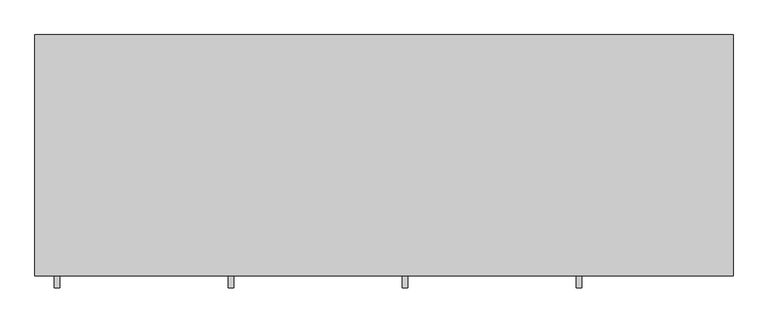
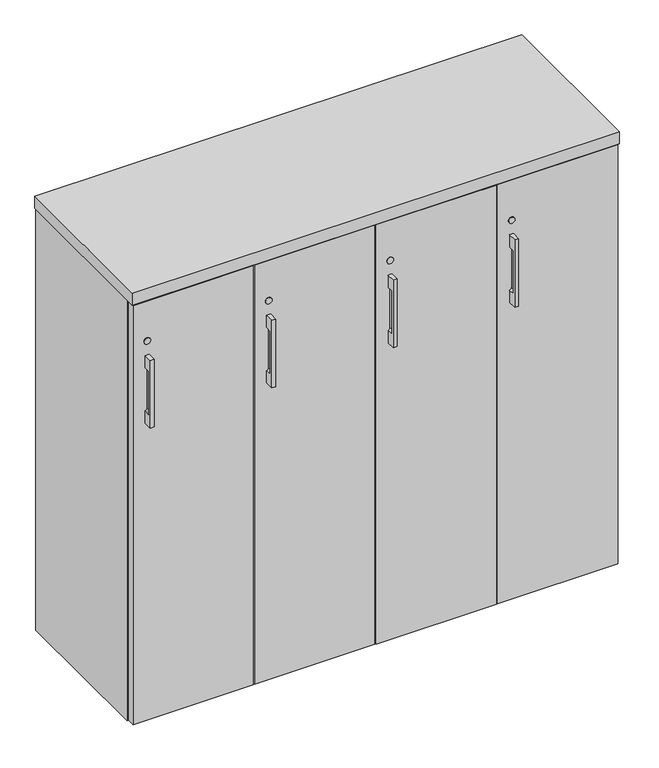
"""IFC4 building model written with IfcOpenShell, lengths in millimetres: furniture geometry."""

import ifcopenshell
import ifcopenshell.guid

model = None  # the IFC model being written
_history = None  # IfcOwnerHistory: only IFC2X3 demands one
_inside = {}  # id of a spatial element -> (the spatial element, [elements in it])
_under = {}  # id of a project, library or spatial element -> (it, [spatial elements below it])
_declared = {}  # id of a project -> (the project, [libraries it declares])
_typed = {}  # id of a type object -> (the type object, [elements of that type])
_made_of = {}  # id of a material, layer set ... -> (it, [elements and type objects made of it])


def new_model(schema):
    """Start an empty IFC model of exactly this schema.

    Asked for "IFC4X3", IfcOpenShell would pick the latest addendum, in which some entities
    have other attributes; the version numbers below select the first issue.
    IFC2X3 requires an IfcOwnerHistory on every rooted entity: one is made here for all.
    """
    global model, _history
    if schema == "IFC4X3":
        model = ifcopenshell.file(schema_version=(4, 3, 0, 0))
    else:
        model = ifcopenshell.file(schema=schema)
    _inside.clear()
    _under.clear()
    _declared.clear()
    _typed.clear()
    _made_of.clear()
    _history = None
    if model.schema == "IFC2X3":
        org = make("IfcOrganization", Name="unknown")
        user = make(
            "IfcPersonAndOrganization",
            ThePerson=make("IfcPerson", FamilyName="unknown"),
            TheOrganization=org,
        )
        app = make(
            "IfcApplication",
            ApplicationDeveloper=org,
            Version="unknown",
            ApplicationFullName="unknown",
            ApplicationIdentifier="unknown",
        )
        _history = make(
            "IfcOwnerHistory",
            OwningUser=user,
            OwningApplication=app,
            ChangeAction="ADDED",
            CreationDate=0,
        )
    return model


def make(cls, **values):
    """One entity of the class cls with the attributes given. An attribute that is None is left unset."""
    return model.create_entity(
        cls, **{name: value for name, value in values.items() if value is not None}
    )


def rooted(cls, **values):
    """An entity with a GlobalId (a new one), such as an element, a storey or a relation."""
    return make(cls, GlobalId=ifcopenshell.guid.new(), OwnerHistory=_history, **values)


def si_unit(unit_type, name, prefix=None):
    """IfcSIUnit, for example si_unit("LENGTHUNIT", "METRE", prefix="MILLI")."""
    return make("IfcSIUnit", UnitType=unit_type, Prefix=prefix, Name=name)


def assignment(units):
    """IfcUnitAssignment: the units of a project."""
    return None if units is None else make("IfcUnitAssignment", Units=units)


def point(xyz):
    """IfcCartesianPoint."""
    return None if xyz is None else make("IfcCartesianPoint", Coordinates=xyz)


def direction(xyz):
    """IfcDirection."""
    return None if xyz is None else make("IfcDirection", DirectionRatios=xyz)


def frame(location, z_axis=None, x_axis=None):
    """IfcAxis2Placement3D, a coordinate frame: its origin and axes. An axis left out is left unset."""
    return make(
        "IfcAxis2Placement3D",
        Location=point(location),
        Axis=direction(z_axis),
        RefDirection=direction(x_axis),
    )


def frame_2d(location, x_axis=None):
    """IfcAxis2Placement2D, a coordinate frame in the plane: its origin and x axis."""
    return make(
        "IfcAxis2Placement2D", Location=point(location), RefDirection=direction(x_axis)
    )


def origin():
    """The frame at (0, 0, 0) with its axes left unset."""
    return frame((0.0, 0.0, 0.0))


def origin_with_axes():
    """The frame at (0, 0, 0) with the z axis (0, 0, 1) and the x axis (1, 0, 0) written out."""
    return frame((0.0, 0.0, 0.0), z_axis=(0.0, 0.0, 1.0), x_axis=(1.0, 0.0, 0.0))


def place(relative_to, where):
    """IfcLocalPlacement: puts the frame where relative to a parent placement (None: the world)."""
    return make(
        "IfcLocalPlacement", PlacementRelTo=relative_to, RelativePlacement=where
    )


def context(
    kind, dimensions, precision=None, world=None, true_north=None, identifier=None
):
    """IfcGeometricRepresentationContext, for example the 3D "Model" context."""
    return make(
        "IfcGeometricRepresentationContext",
        ContextIdentifier=identifier,
        ContextType=kind,
        CoordinateSpaceDimension=dimensions,
        Precision=precision,
        WorldCoordinateSystem=world,
        TrueNorth=true_north,
    )


def project(units=None, contexts=None):
    """IfcProject with its units and contexts."""
    return rooted(
        "IfcProject",
        Name="project",
        RepresentationContexts=contexts,
        UnitsInContext=assignment(units),
    )


def spatial(cls, under=None, at=None, **own):
    """A site, building, storey or space (cls), placed at a placement, below another one or the project."""
    s = rooted(cls, ObjectPlacement=at, **own)
    if under is not None:
        _under.setdefault(under.id(), (under, []))[1].append(s)
    return s


def polyline(points):
    """IfcPolyline through the points."""
    return make("IfcPolyline", Points=[point(p) for p in points])


def circle_curve(where, radius):
    """IfcCircle in the frame where."""
    return make("IfcCircle", Position=where, Radius=radius)


def trimmed(basis, trim1, trim2, sense, master):
    """IfcTrimmedCurve: the piece of a basis curve between two trims."""
    return make(
        "IfcTrimmedCurve",
        BasisCurve=basis,
        Trim1=trim1,
        Trim2=trim2,
        SenseAgreement=sense,
        MasterRepresentation=master,
    )


def segment(curve, same_sense, transition):
    """IfcCompositeCurveSegment."""
    return make(
        "IfcCompositeCurveSegment",
        Transition=transition,
        SameSense=same_sense,
        ParentCurve=curve,
    )


def composite_curve(segments, self_intersect=None):
    """IfcCompositeCurve: segments joined end to end."""
    return make("IfcCompositeCurve", Segments=segments, SelfIntersect=self_intersect)


def outline(outer, holes=None, kind="AREA"):
    """IfcArbitraryClosedProfileDef: a profile drawn as a closed curve; with holes, ...WithVoids."""
    if holes is None:
        return make("IfcArbitraryClosedProfileDef", ProfileType=kind, OuterCurve=outer)
    return make(
        "IfcArbitraryProfileDefWithVoids",
        ProfileType=kind,
        OuterCurve=outer,
        InnerCurves=holes,
    )


def extrude(swept, where, along, depth):
    """IfcExtrudedAreaSolid: the profile swept, set in the frame where, extruded along a direction by depth."""
    return make(
        "IfcExtrudedAreaSolid",
        SweptArea=swept,
        Position=where,
        ExtrudedDirection=direction(along),
        Depth=depth,
    )


def shape(context_of_items, identifier, shape_type, items):
    """IfcShapeRepresentation: the items that make up one representation, for example the "Body"."""
    return make(
        "IfcShapeRepresentation",
        ContextOfItems=context_of_items,
        RepresentationIdentifier=identifier,
        RepresentationType=shape_type,
        Items=items,
    )


def source(mapping_origin, context_of_items, identifier, shape_type, items):
    """IfcRepresentationMap: a shape defined once, which mapped items show again and again."""
    return make(
        "IfcRepresentationMap",
        MappingOrigin=mapping_origin,
        MappedRepresentation=shape(context_of_items, identifier, shape_type, items),
    )


def transform(
    local_origin,
    x_axis=None,
    y_axis=None,
    z_axis=None,
    scale=None,
    scale2=None,
    scale3=None,
    uniform=True,
):
    """IfcCartesianTransformationOperator3D, or its non-uniform kind. x_axis, y_axis, z_axis: its Axis1, 2, 3."""
    if uniform:
        return make(
            "IfcCartesianTransformationOperator3D",
            Axis1=direction(x_axis),
            Axis2=direction(y_axis),
            LocalOrigin=point(local_origin),
            Scale=scale,
            Axis3=direction(z_axis),
        )
    return make(
        "IfcCartesianTransformationOperator3DnonUniform",
        Axis1=direction(x_axis),
        Axis2=direction(y_axis),
        LocalOrigin=point(local_origin),
        Scale=scale,
        Axis3=direction(z_axis),
        Scale2=scale2,
        Scale3=scale3,
    )


def mapped(mapping_source, mapping_target):
    """IfcMappedItem: shows the shape of a source again, moved by a transform."""
    return make(
        "IfcMappedItem", MappingSource=mapping_source, MappingTarget=mapping_target
    )


def made_of(thing, what):
    """Note that an element or type object is made of a material, layer set ...; save() writes the relation."""
    if what is not None:
        _made_of.setdefault(what.id(), (what, []))[1].append(thing)
    return thing


def element(
    cls,
    number,
    at=None,
    inside=None,
    cuts=None,
    type_object=None,
    material=None,
    context=None,
    identifier="Body",
    shape_type=None,
    held_by="IfcProductDefinitionShape",
    body=None,
    shapes=None,
    **own,
):
    """One element of the class cls, such as IfcWall. Its Tag is "e" and its number.

    at: its placement. inside: the storey or other place that contains it. cuts: it is an
    opening in that element (IfcRelVoidsElement). A single representation is given by context,
    identifier, shape_type and body (its items); several are given by shapes. held_by: the class
    of the entity that holds the representations. save() writes the other relations.
    """
    e = rooted(cls, Tag="e%d" % number, ObjectPlacement=at, **own)
    if body is not None:
        shapes = [shape(context, identifier, shape_type, body)]
    if shapes is not None:
        e.Representation = make(held_by, Representations=shapes)
    if inside is not None:
        _inside.setdefault(inside.id(), (inside, []))[1].append(e)
    if cuts is not None:
        rooted(
            "IfcRelVoidsElement", RelatingBuildingElement=cuts, RelatedOpeningElement=e
        )
    if type_object is not None:
        _typed.setdefault(type_object.id(), (type_object, []))[1].append(e)
    return made_of(e, material)


def aggregate(whole, parts):
    """IfcRelAggregates: a whole, such as a stair, and the parts it consists of."""
    return rooted("IfcRelAggregates", RelatingObject=whole, RelatedObjects=parts)


def save(model, path):
    """Write the relations noted so far, then the file.

    IfcRelAggregates (storeys below a building ...), IfcRelContainedInSpatialStructure (elements
    in a storey), IfcRelDefinesByType, IfcRelAssociatesMaterial and IfcRelDeclares: one each for
    every whole, place, type object, material and project.
    """
    for whole, parts in _under.values():
        aggregate(whole, parts)
    for where, things in _inside.values():
        rooted(
            "IfcRelContainedInSpatialStructure",
            RelatedElements=things,
            RelatingStructure=where,
        )
    for kind, things in _typed.values():
        rooted("IfcRelDefinesByType", RelatedObjects=things, RelatingType=kind)
    for what, things in _made_of.values():
        rooted("IfcRelAssociatesMaterial", RelatedObjects=things, RelatingMaterial=what)
    for by, libraries in _declared.values():
        rooted("IfcRelDeclares", RelatingContext=by, RelatedDefinitions=libraries)
    model.write(path)


def plane_surface(at):
    """IfcPlane: the flat surface through the origin of the frame at, square to its z axis."""
    return make("IfcPlane", Position=at)


def revolved_surface(curve, axis_point, axis_direction):
    """IfcSurfaceOfRevolution: the curve turned about the line through axis_point along axis_direction."""
    return make(
        "IfcSurfaceOfRevolution",
        SweptCurve=make("IfcArbitraryOpenProfileDef", ProfileType="CURVE", Curve=curve),
        AxisPosition=make("IfcAxis1Placement", Location=point(axis_point), Axis=direction(axis_direction)),
    )


def advanced_brep(points, edges, surfaces, faces):
    """IfcAdvancedBrep: a solid bounded by faces that lie on surfaces and meet in shared edges.

    An edge is (start, end): straight between two places in points (the first is 0);
    or (start, end, curve); or (start, end, curve, False) where it runs against its curve.
    A face is (place in surfaces, loops), or (place, loops, False) where it looks against
    its surface's normal. A loop lists edges by number (the first is 1), with a minus sign
    where the edge is run from its end to its start. The first loop is the outer one.
    """
    corners = [point(p) for p in points]
    vertices = [make("IfcVertexPoint", VertexGeometry=c) for c in corners]
    made = []
    for start, end, *more in edges:
        made.append(
            make(
                "IfcEdgeCurve",
                EdgeStart=vertices[start],
                EdgeEnd=vertices[end],
                EdgeGeometry=more[0] if more else make("IfcPolyline", Points=[corners[start], corners[end]]),
                SameSense=more[1] if len(more) > 1 else True,
            )
        )
    hull = []
    for where, loops, *sense in faces:
        bounds = []
        for j, loop in enumerate(loops):
            ring = [make("IfcOrientedEdge", EdgeElement=made[abs(k) - 1], Orientation=k > 0) for k in loop]
            bounds.append(
                make(
                    "IfcFaceOuterBound" if j == 0 else "IfcFaceBound",
                    Bound=make("IfcEdgeLoop", EdgeList=ring),
                    Orientation=True,
                )
            )
        hull.append(make("IfcAdvancedFace", Bounds=bounds, FaceSurface=surfaces[where], SameSense=sense[0] if sense else True))
    return make("IfcAdvancedBrep", Outer=make("IfcClosedShell", CfsFaces=hull))


def furniture_813d26d7(model_context):
    return source(origin(), model_context, "Body", "SolidModel", [
        advanced_brep(
        [(33.3362221, -447.8115021, 967.7908), (33.3362221, -447.8115021, 789.9908), (42.8612221, -447.8115021, 789.9908), (42.8612221, -447.8115021, 967.7908), (33.3362221, -425.5865021, 967.7908), (42.8612221, -425.5865021, 967.7908), (42.8612221, -425.5865021, 789.9908), (33.3362221, -425.5865021, 789.9908), (33.3362221, -425.5865021, 821.9424389), (38.0987221, -425.5865021, 828.0908), (38.0987221, -425.5865021, 929.6908), (33.3362221, -425.5865021, 935.8391611), (33.3362221, -441.523499, 935.8391611), (33.3362221, -441.523499, 821.9424389), (38.0987221, -441.523499, 929.6908), (38.0987221, -441.523499, 828.0908)],
        [
            (0, 1),
            (1, 2),
            (2, 3),
            (3, 0),
            (4, 5),
            (5, 6),
            (6, 7),
            (7, 8),
            (8, 9, circle_curve(frame((31.7487221, -425.5865021, 828.0908), z_axis=(0.0, -1.0, 0.0), x_axis=(1.0, 0.0, 0.0)), 6.35)),
            (9, 10),
            (10, 11, circle_curve(frame((31.7487221, -425.5865021, 929.6908), z_axis=(0.0, -1.0, 0.0), x_axis=(1.0, 0.0, 0.0)), 6.35)),
            (11, 4),
            (0, 4),
            (11, 12),
            (12, 13),
            (13, 8),
            (7, 1),
            (6, 2),
            (5, 3),
            (14, 15),
            (15, 13, circle_curve(frame((31.7487221, -441.523499, 828.0908), z_axis=(0.0, 1.0, 0.0), x_axis=(1.0, 0.0, 0.0)), 6.35)),
            (12, 14, circle_curve(frame((31.7487221, -441.523499, 929.6908), z_axis=(0.0, 1.0, 0.0), x_axis=(1.0, 0.0, 0.0)), 6.35)),
            (14, 10),
            (9, 15),
        ],
        [
            plane_surface(frame((33.3362221, -447.8115021, 789.9908), z_axis=(0.0, -1.0, 0.0), x_axis=(0.0, 0.0, -1.0))),
            plane_surface(frame((33.3362221, -425.5865021, 789.9908), z_axis=(0.0, 1.0, 0.0), x_axis=(0.0, 0.0, 1.0))),
            plane_surface(frame((33.3362221, -447.8115021, 967.7908), z_axis=(-1.0, 0.0, 0.0), x_axis=(0.0, 1.0, 0.0))),
            plane_surface(frame((33.3362221, -447.8115021, 789.9908), z_axis=(0.0, 0.0, -1.0), x_axis=(0.0, 1.0, 0.0))),
            plane_surface(frame((42.8612221, -447.8115021, 789.9908), z_axis=(1.0, 0.0, 0.0), x_axis=(0.0, 1.0, 0.0))),
            plane_surface(frame((42.8612221, -447.8115021, 967.7908), z_axis=(0.0, 0.0, 1.0), x_axis=(0.0, 1.0, 0.0))),
            plane_surface(frame((19.0487221, -441.523499, 936.0408), z_axis=(0.0, 1.0, 0.0), x_axis=(-1.0, 0.0, 0.0))),
            plane_surface(frame((38.0987221, -441.523499, 828.0908), z_axis=(-1.0, 0.0, 0.0), x_axis=(0.0, 1.0, 0.0))),
            revolved_surface(polyline([(38.098722099999996, -441.523499, 828.0908), (38.098722099999996, -425.5865021, 828.0908)]), (31.7487221, -425.5865021, 828.0908), (0.0, -1.0, 0.0)),
            revolved_surface(polyline([(38.098722099999996, -441.523499, 929.6908), (38.098722099999996, -425.5865021, 929.6908)]), (31.7487221, -425.5865021, 929.6908), (0.0, -1.0, 0.0)),
        ],
        [
            (0, [[1, 2, 3, 4]]),
            (1, [[5, 6, 7, 8, 9, 10, 11, 12]]),
            (2, [[-1, 13, -12, 14, 15, 16, -8, 17]]),
            (3, [[-2, -17, -7, 18]]),
            (4, [[-3, -18, -6, 19]]),
            (5, [[-4, -19, -5, -13]]),
            (6, [[20, 21, -15, 22]]),
            (7, [[-20, 23, -10, 24]]),
            (8, [[-24, -9, -16, -21]]),
            (9, [[-23, -22, -14, -11]]),
        ],
    ),
        advanced_brep(
        [(940.5924958, -447.8115021, 967.7908), (940.5924958, -447.8115021, 789.9908), (950.1174958, -447.8115021, 789.9908), (950.1174958, -447.8115021, 967.7908), (940.5924958, -425.5865021, 967.7908), (950.1174958, -425.5865021, 967.7908), (950.1174958, -425.5865021, 789.9908), (940.5924958, -425.5865021, 789.9908), (940.5924958, -425.5865021, 821.9424389), (945.3549958, -425.5865021, 828.0908), (945.3549958, -425.5865021, 929.6908), (940.5924958, -425.5865021, 935.8391611), (940.5924958, -441.523499, 935.8391611), (940.5924958, -441.523499, 821.9424389), (945.3549958, -441.523499, 929.6908), (945.3549958, -441.523499, 828.0908)],
        [
            (0, 1),
            (1, 2),
            (2, 3),
            (3, 0),
            (4, 5),
            (5, 6),
            (6, 7),
            (7, 8),
            (8, 9, circle_curve(frame((939.0049958, -425.5865021, 828.0908), z_axis=(0.0, -1.0, 0.0), x_axis=(1.0, 0.0, 0.0)), 6.35)),
            (9, 10),
            (10, 11, circle_curve(frame((939.0049958, -425.5865021, 929.6908), z_axis=(0.0, -1.0, 0.0), x_axis=(1.0, 0.0, 0.0)), 6.35)),
            (11, 4),
            (0, 4),
            (11, 12),
            (12, 13),
            (13, 8),
            (7, 1),
            (6, 2),
            (5, 3),
            (14, 15),
            (15, 13, circle_curve(frame((939.0049958, -441.523499, 828.0908), z_axis=(0.0, 1.0, 0.0), x_axis=(1.0, 0.0, 0.0)), 6.35)),
            (12, 14, circle_curve(frame((939.0049958, -441.523499, 929.6908), z_axis=(0.0, 1.0, 0.0), x_axis=(1.0, 0.0, 0.0)), 6.35)),
            (14, 10),
            (9, 15),
        ],
        [
            plane_surface(frame((940.5924958, -447.8115021, 789.9908), z_axis=(0.0, -1.0, 0.0), x_axis=(0.0, 0.0, -1.0))),
            plane_surface(frame((940.5924958, -425.5865021, 789.9908), z_axis=(0.0, 1.0, 0.0), x_axis=(0.0, 0.0, 1.0))),
            plane_surface(frame((940.5924958, -447.8115021, 967.7908), z_axis=(-1.0, 0.0, 0.0), x_axis=(0.0, 1.0, 0.0))),
            plane_surface(frame((940.5924958, -447.8115021, 789.9908), z_axis=(0.0, 0.0, -1.0), x_axis=(0.0, 1.0, 0.0))),
            plane_surface(frame((950.1174958, -447.8115021, 789.9908), z_axis=(1.0, 0.0, 0.0), x_axis=(0.0, 1.0, 0.0))),
            plane_surface(frame((950.1174958, -447.8115021, 967.7908), z_axis=(0.0, 0.0, 1.0), x_axis=(0.0, 1.0, 0.0))),
            plane_surface(frame((926.3049958, -441.523499, 936.0408), z_axis=(0.0, 1.0, 0.0), x_axis=(-1.0, 0.0, 0.0))),
            plane_surface(frame((945.3549958, -441.523499, 828.0908), z_axis=(-1.0, 0.0, 0.0), x_axis=(0.0, 1.0, 0.0))),
            revolved_surface(polyline([(945.3549958, -441.523499, 828.0908), (945.3549958, -425.5865021, 828.0908)]), (939.0049958, -425.5865021, 828.0908), (0.0, -1.0, 0.0)),
            revolved_surface(polyline([(945.3549958, -441.523499, 929.6908), (945.3549958, -425.5865021, 929.6908)]), (939.0049958, -425.5865021, 929.6908), (0.0, -1.0, 0.0)),
        ],
        [
            (0, [[1, 2, 3, 4]]),
            (1, [[5, 6, 7, 8, 9, 10, 11, 12]]),
            (2, [[-1, 13, -12, 14, 15, 16, -8, 17]]),
            (3, [[-2, -17, -7, 18]]),
            (4, [[-3, -18, -6, 19]]),
            (5, [[-4, -19, -5, -13]]),
            (6, [[20, 21, -15, 22]]),
            (7, [[-20, 23, -10, 24]]),
            (8, [[-24, -9, -16, -21]]),
            (9, [[-23, -22, -14, -11]]),
        ],
    ),
        advanced_brep(
        [(638.1737379, -447.8115021, 967.7908), (638.1737379, -447.8115021, 789.9908), (647.6987379, -447.8115021, 789.9908), (647.6987379, -447.8115021, 967.7908), (638.1737379, -425.5865021, 967.7908), (647.6987379, -425.5865021, 967.7908), (647.6987379, -425.5865021, 789.9908), (638.1737379, -425.5865021, 789.9908), (638.1737379, -425.5865021, 821.9424389), (642.9362379, -425.5865021, 828.0908), (642.9362379, -425.5865021, 929.6908), (638.1737379, -425.5865021, 935.8391611), (638.1737379, -441.523499, 935.8391611), (638.1737379, -441.523499, 821.9424389), (642.9362379, -441.523499, 929.6908), (642.9362379, -441.523499, 828.0908)],
        [
            (0, 1),
            (1, 2),
            (2, 3),
            (3, 0),
            (4, 5),
            (5, 6),
            (6, 7),
            (7, 8),
            (8, 9, circle_curve(frame((636.5862379, -425.5865021, 828.0908), z_axis=(0.0, -1.0, 0.0), x_axis=(1.0, 0.0, 0.0)), 6.35)),
            (9, 10),
            (10, 11, circle_curve(frame((636.5862379, -425.5865021, 929.6908), z_axis=(0.0, -1.0, 0.0), x_axis=(1.0, 0.0, 0.0)), 6.35)),
            (11, 4),
            (0, 4),
            (11, 12),
            (12, 13),
            (13, 8),
            (7, 1),
            (6, 2),
            (5, 3),
            (14, 15),
            (15, 13, circle_curve(frame((636.5862379, -441.523499, 828.0908), z_axis=(0.0, 1.0, 0.0), x_axis=(1.0, 0.0, 0.0)), 6.35)),
            (12, 14, circle_curve(frame((636.5862379, -441.523499, 929.6908), z_axis=(0.0, 1.0, 0.0), x_axis=(1.0, 0.0, 0.0)), 6.35)),
            (14, 10),
            (9, 15),
        ],
        [
            plane_surface(frame((638.1737379, -447.8115021, 789.9908), z_axis=(0.0, -1.0, 0.0), x_axis=(0.0, 0.0, -1.0))),
            plane_surface(frame((638.1737379, -425.5865021, 789.9908), z_axis=(0.0, 1.0, 0.0), x_axis=(0.0, 0.0, 1.0))),
            plane_surface(frame((638.1737379, -447.8115021, 967.7908), z_axis=(-1.0, 0.0, 0.0), x_axis=(0.0, 1.0, 0.0))),
            plane_surface(frame((638.1737379, -447.8115021, 789.9908), z_axis=(0.0, 0.0, -1.0), x_axis=(0.0, 1.0, 0.0))),
            plane_surface(frame((647.6987379, -447.8115021, 789.9908), z_axis=(1.0, 0.0, 0.0), x_axis=(0.0, 1.0, 0.0))),
            plane_surface(frame((647.6987379, -447.8115021, 967.7908), z_axis=(0.0, 0.0, 1.0), x_axis=(0.0, 1.0, 0.0))),
            plane_surface(frame((623.8862379, -441.523499, 936.0408), z_axis=(0.0, 1.0, 0.0), x_axis=(-1.0, 0.0, 0.0))),
            plane_surface(frame((642.9362379, -441.523499, 828.0908), z_axis=(-1.0, 0.0, 0.0), x_axis=(0.0, 1.0, 0.0))),
            revolved_surface(polyline([(642.9362379, -441.523499, 828.0908), (642.9362379, -425.5865021, 828.0908)]), (636.5862379, -425.5865021, 828.0908), (0.0, -1.0, 0.0)),
            revolved_surface(polyline([(642.9362379, -441.523499, 929.6908), (642.9362379, -425.5865021, 929.6908)]), (636.5862379, -425.5865021, 929.6908), (0.0, -1.0, 0.0)),
        ],
        [
            (0, [[1, 2, 3, 4]]),
            (1, [[5, 6, 7, 8, 9, 10, 11, 12]]),
            (2, [[-1, 13, -12, 14, 15, 16, -8, 17]]),
            (3, [[-2, -17, -7, 18]]),
            (4, [[-3, -18, -6, 19]]),
            (5, [[-4, -19, -5, -13]]),
            (6, [[20, 21, -15, 22]]),
            (7, [[-20, 23, -10, 24]]),
            (8, [[-24, -9, -16, -21]]),
            (9, [[-23, -22, -14, -11]]),
        ],
    ),
        advanced_brep(
        [(335.75498, -447.8115021, 967.7908), (335.75498, -447.8115021, 789.9908), (345.27998, -447.8115021, 789.9908), (345.27998, -447.8115021, 967.7908), (335.75498, -425.5865021, 967.7908), (345.27998, -425.5865021, 967.7908), (345.27998, -425.5865021, 789.9908), (335.75498, -425.5865021, 789.9908), (335.75498, -425.5865021, 821.9424389), (340.51748, -425.5865021, 828.0908), (340.51748, -425.5865021, 929.6908), (335.75498, -425.5865021, 935.8391611), (335.75498, -441.523499, 935.8391611), (335.75498, -441.523499, 821.9424389), (340.51748, -441.523499, 929.6908), (340.51748, -441.523499, 828.0908)],
        [
            (0, 1),
            (1, 2),
            (2, 3),
            (3, 0),
            (4, 5),
            (5, 6),
            (6, 7),
            (7, 8),
            (8, 9, circle_curve(frame((334.16748, -425.5865021, 828.0908), z_axis=(0.0, -1.0, 0.0), x_axis=(1.0, 0.0, 0.0)), 6.35)),
            (9, 10),
            (10, 11, circle_curve(frame((334.16748, -425.5865021, 929.6908), z_axis=(0.0, -1.0, 0.0), x_axis=(1.0, 0.0, 0.0)), 6.35)),
            (11, 4),
            (0, 4),
            (11, 12),
            (12, 13),
            (13, 8),
            (7, 1),
            (6, 2),
            (5, 3),
            (14, 15),
            (15, 13, circle_curve(frame((334.16748, -441.523499, 828.0908), z_axis=(0.0, 1.0, 0.0), x_axis=(1.0, 0.0, 0.0)), 6.35)),
            (12, 14, circle_curve(frame((334.16748, -441.523499, 929.6908), z_axis=(0.0, 1.0, 0.0), x_axis=(1.0, 0.0, 0.0)), 6.35)),
            (14, 10),
            (9, 15),
        ],
        [
            plane_surface(frame((335.75498, -447.8115021, 789.9908), z_axis=(0.0, -1.0, 0.0), x_axis=(0.0, 0.0, -1.0))),
            plane_surface(frame((335.75498, -425.5865021, 789.9908), z_axis=(0.0, 1.0, 0.0), x_axis=(0.0, 0.0, 1.0))),
            plane_surface(frame((335.75498, -447.8115021, 967.7908), z_axis=(-1.0, 0.0, 0.0), x_axis=(0.0, 1.0, 0.0))),
            plane_surface(frame((335.75498, -447.8115021, 789.9908), z_axis=(0.0, 0.0, -1.0), x_axis=(0.0, 1.0, 0.0))),
            plane_surface(frame((345.27998, -447.8115021, 789.9908), z_axis=(1.0, 0.0, 0.0), x_axis=(0.0, 1.0, 0.0))),
            plane_surface(frame((345.27998, -447.8115021, 967.7908), z_axis=(0.0, 0.0, 1.0), x_axis=(0.0, 1.0, 0.0))),
            plane_surface(frame((321.46748, -441.523499, 936.0408), z_axis=(0.0, 1.0, 0.0), x_axis=(-1.0, 0.0, 0.0))),
            plane_surface(frame((340.51748, -441.523499, 828.0908), z_axis=(-1.0, 0.0, 0.0), x_axis=(0.0, 1.0, 0.0))),
            revolved_surface(polyline([(340.51748000000003, -441.523499, 828.0908), (340.51748000000003, -425.5865021, 828.0908)]), (334.16748, -425.5865021, 828.0908), (0.0, -1.0, 0.0)),
            revolved_surface(polyline([(340.51748000000003, -441.523499, 929.6908), (340.51748000000003, -425.5865021, 929.6908)]), (334.16748, -425.5865021, 929.6908), (0.0, -1.0, 0.0)),
        ],
        [
            (0, [[1, 2, 3, 4]]),
            (1, [[5, 6, 7, 8, 9, 10, 11, 12]]),
            (2, [[-1, 13, -12, 14, 15, 16, -8, 17]]),
            (3, [[-2, -17, -7, 18]]),
            (4, [[-3, -18, -6, 19]]),
            (5, [[-4, -19, -5, -13]]),
            (6, [[20, 21, -15, 22]]),
            (7, [[-20, 23, -10, 24]]),
            (8, [[-24, -9, -16, -21]]),
            (9, [[-23, -22, -14, -11]]),
        ],
    ),
        extrude(outline(polyline([(1150.5192181, -345.6312472), (1166.4670759, -336.4237472), (1182.4149337, -345.6312472), (1182.4149337, -364.0462472), (1166.4670759, -373.2537472), (1150.5192181, -364.0462472), (1150.5192181, -345.6312472)])), origin_with_axes(), (0.0, 0.0, 1.0), 9.144),
        extrude(outline(polyline([(1150.5192181, -47.1181713), (1166.4670759, -37.9106713), (1182.4149337, -47.1181713), (1182.4149337, -65.5331713), (1166.4670759, -74.7406713), (1150.5192181, -65.5331713), (1150.5192181, -47.1181713)])), origin_with_axes(), (0.0, 0.0, 1.0), 9.144),
        extrude(outline(polyline([(30.4350663, -345.6312472), (46.3829241, -336.4237472), (62.3307819, -345.6312472), (62.3307819, -364.0462472), (46.3829241, -373.2537472), (30.4350663, -364.0462472), (30.4350663, -345.6312472)])), origin_with_axes(), (0.0, 0.0, 1.0), 9.144),
        extrude(outline(polyline([(30.4350663, -47.1181713), (46.3829241, -37.9106713), (62.3307819, -47.1181713), (62.3307819, -65.5331713), (46.3829241, -74.7406713), (30.4350663, -65.5331713), (30.4350663, -47.1181713)])), origin_with_axes(), (0.0, 0.0, 1.0), 9.144),
        extrude(outline(polyline([(587.1210079, -30.4938704), (606.4250079, -30.4938704), (606.4250079, -401.5835036), (587.1210079, -401.5835036), (587.1210079, -30.4938704)])), frame((0.0, 0.0, 79.57058), z_axis=(0.0, 0.0, 1.0), x_axis=(1.0, 0.0, 0.0)), (0.0, 0.0, 1.0), 1033.50822),
        extrude(outline(polyline([(889.5397579, -30.4938704), (908.8437579, -30.4938704), (908.8437579, -401.5835036), (889.5397579, -401.5835036), (889.5397579, -30.4938704)])), frame((0.0, 0.0, 79.57058), z_axis=(0.0, 0.0, 1.0), x_axis=(1.0, 0.0, 0.0)), (0.0, 0.0, 1.0), 1033.50822),
        extrude(outline(polyline([(304.0062421, -30.4938704), (304.0062421, -401.5835036), (284.7022421, -401.5835036), (284.7022421, -30.4938704), (304.0062421, -30.4938704)])), frame((0.0, 0.0, 79.57058), z_axis=(0.0, 0.0, 1.0), x_axis=(1.0, 0.0, 0.0)), (0.0, 0.0, 1.0), 1033.50822),
        extrude(outline(polyline([(1191.9585154, -11.1898712), (1191.9585154, -30.4938704), (20.8915005, -30.4938704), (20.8915005, -11.1898712), (1191.9585154, -11.1898712)])), frame((0.0, 0.0, 4.699), z_axis=(0.0, 0.0, 1.0), x_axis=(1.0, 0.0, 0.0)), (0.0, 0.0, 1.0), 1108.3798),
        extrude(outline(polyline([(20.8915005, -9.6658713), (20.8915005, -403.1075021), (1.5874842, -403.1075021), (1.5874842, -9.6658713), (20.8915005, -9.6658713)])), frame((0.0, 0.0, 4.699), z_axis=(0.0, 0.0, 1.0), x_axis=(1.0, 0.0, 0.0)), (0.0, 0.0, 1.0), 1108.3798),
        extrude(outline(polyline([(1191.9585154, -9.6658713), (1211.2625158, -9.6658713), (1211.2625158, -403.1075021), (1191.9585154, -403.1075021), (1191.9585154, -9.6658713)])), frame((0.0, 0.0, 4.699), z_axis=(0.0, 0.0, 1.0), x_axis=(1.0, 0.0, 0.0)), (0.0, 0.0, 1.0), 1108.3798),
        extrude(outline(polyline([(625.7290079, -30.4938704), (625.7290079, -401.5835036), (606.4250079, -401.5835036), (606.4250079, -30.4938704), (625.7290079, -30.4938704)])), frame((0.0, 0.0, 79.57058), z_axis=(0.0, 0.0, 1.0), x_axis=(1.0, 0.0, 0.0)), (0.0, 0.0, 1.0), 1033.50822),
        extrude(outline(polyline([(304.0062421, -30.4938704), (323.3102421, -30.4938704), (323.3102421, -401.5835036), (304.0062421, -401.5835036), (304.0062421, -30.4938704)])), frame((0.0, 0.0, 79.57058), z_axis=(0.0, 0.0, 1.0), x_axis=(1.0, 0.0, 0.0)), (0.0, 0.0, 1.0), 1033.50822),
        extrude(outline(polyline([(928.1477579, -30.4938704), (928.1477579, -401.5835036), (908.8437579, -401.5835036), (908.8437579, -30.4938704), (928.1477579, -30.4938704)])), frame((0.0, 0.0, 79.57058), z_axis=(0.0, 0.0, 1.0), x_axis=(1.0, 0.0, 0.0)), (0.0, 0.0, 1.0), 1033.50822),
        extrude(outline(polyline([(1191.9585154, -30.4938704), (1191.9585154, -402.7264934), (20.8915005, -402.7264934), (20.8915005, -30.4938704), (1191.9585154, -30.4938704)])), frame((0.0, 0.0, 1093.7748), z_axis=(0.0, 0.0, 1.0), x_axis=(1.0, 0.0, 0.0)), (0.0, 0.0, 1.0), 19.304),
        extrude(outline(polyline([(1212.85, -8.0783713), (1212.85, -427.1783713), (0.0, -427.1783713), (0.0, -8.0783713), (1212.85, -8.0783713)])), frame((0.0, 0.0, 1113.0788031), z_axis=(0.0, 0.0, 1.0), x_axis=(1.0, 0.0, 0.0)), (0.0, 0.0, 1.0), 31.7499969),
        extrude(outline(polyline([(1191.9585154, -30.4938704), (1191.9585154, -402.7264934), (20.8915005, -402.7264934), (20.8915005, -30.4938704), (1191.9585154, -30.4938704)])), frame((0.0, 0.0, 60.26658), z_axis=(0.0, 0.0, 1.0), x_axis=(1.0, 0.0, 0.0)), (0.0, 0.0, 1.0), 19.304),
        extrude(outline(polyline([(1191.9585154, -401.5835036), (20.8915005, -401.5835036), (20.8915005, -382.2795036), (1191.9585154, -382.2795036), (1191.9585154, -401.5835036)])), frame((0.0, 0.0, 4.699), z_axis=(0.0, 0.0, 1.0), x_axis=(1.0, 0.0, 0.0)), (0.0, 0.0, 1.0), 55.56758),
        extrude(outline(composite_curve([segment(trimmed(circle_curve(frame_2d((1005.1288, 38.0987221)), 8.001), [point((1005.1288, 30.0977221))], [point((1005.1288, 46.0997221))], False, "CARTESIAN"), True, "CONTINUOUS"), segment(trimmed(circle_curve(frame_2d((1005.1288, 38.0987221)), 8.001), [point((1005.1288, 46.0997221))], [point((1005.1288, 30.0977221))], False, "CARTESIAN"), True, "CONTINUOUS")], self_intersect=False)), frame((0.0, -427.1783713, 0.0), z_axis=(0.0, 1.0, 0.0), x_axis=(0.0, 0.0, 1.0)), (0.0, 0.0, 1.0), 1.5918692),
        extrude(outline(composite_curve([segment(trimmed(circle_curve(frame_2d((1005.1288, 340.51748)), 8.001), [point((1005.1288, 332.51648))], [point((1005.1288, 348.51848))], False, "CARTESIAN"), True, "CONTINUOUS"), segment(trimmed(circle_curve(frame_2d((1005.1288, 340.51748)), 8.001), [point((1005.1288, 348.51848))], [point((1005.1288, 332.51648))], False, "CARTESIAN"), True, "CONTINUOUS")], self_intersect=False)), frame((0.0, -427.1783713, 0.0), z_axis=(0.0, 1.0, 0.0), x_axis=(0.0, 0.0, 1.0)), (0.0, 0.0, 1.0), 1.5918692),
        extrude(outline(composite_curve([segment(trimmed(circle_curve(frame_2d((1005.1288, 642.9362379)), 8.001), [point((1005.1288, 634.9352379))], [point((1005.1288, 650.9372379))], False, "CARTESIAN"), True, "CONTINUOUS"), segment(trimmed(circle_curve(frame_2d((1005.1288, 642.9362379)), 8.001), [point((1005.1288, 650.9372379))], [point((1005.1288, 634.9352379))], False, "CARTESIAN"), True, "CONTINUOUS")], self_intersect=False)), frame((0.0, -427.1783713, 0.0), z_axis=(0.0, 1.0, 0.0), x_axis=(0.0, 0.0, 1.0)), (0.0, 0.0, 1.0), 1.5918692),
        extrude(outline(composite_curve([segment(trimmed(circle_curve(frame_2d((1005.1288, 945.3549958)), 8.001), [point((1005.1288, 937.3539958))], [point((1005.1288, 953.3559958))], False, "CARTESIAN"), True, "CONTINUOUS"), segment(trimmed(circle_curve(frame_2d((1005.1288, 945.3549958)), 8.001), [point((1005.1288, 953.3559958))], [point((1005.1288, 937.3539958))], False, "CARTESIAN"), True, "CONTINUOUS")], self_intersect=False)), frame((0.0, -427.1783713, 0.0), z_axis=(0.0, 1.0, 0.0), x_axis=(0.0, 0.0, 1.0)), (0.0, 0.0, 1.0), 1.5918692),
        extrude(outline(polyline([(302.4187421, -425.5865021), (3.175, -425.5865021), (3.175, -406.2825021), (302.4187421, -406.2825021), (302.4187421, -425.5865021)])), frame((0.0, 0.0, 7.874), z_axis=(0.0, 0.0, 1.0), x_axis=(1.0, 0.0, 0.0)), (0.0, 0.0, 1.0), 1102.0298152),
        extrude(outline(polyline([(604.8375, -425.5865021), (305.5937421, -425.5865021), (305.5937421, -406.2825021), (604.8375, -406.2825021), (604.8375, -425.5865021)])), frame((0.0, 0.0, 7.874), z_axis=(0.0, 0.0, 1.0), x_axis=(1.0, 0.0, 0.0)), (0.0, 0.0, 1.0), 1102.0298152),
        extrude(outline(polyline([(907.2562579, -425.5865021), (608.0125, -425.5865021), (608.0125, -406.2825021), (907.2562579, -406.2825021), (907.2562579, -425.5865021)])), frame((0.0, 0.0, 7.874), z_axis=(0.0, 0.0, 1.0), x_axis=(1.0, 0.0, 0.0)), (0.0, 0.0, 1.0), 1102.0298152),
        extrude(outline(polyline([(1209.6750158, -425.5865021), (910.4312579, -425.5865021), (910.4312579, -406.2825021), (1209.6750158, -406.2825021), (1209.6750158, -425.5865021)])), frame((0.0, 0.0, 7.874), z_axis=(0.0, 0.0, 1.0), x_axis=(1.0, 0.0, 0.0)), (0.0, 0.0, 1.0), 1102.0298152),
    ])


if __name__ == "__main__":
    model = new_model("IFC4")
    model_context = context("Model", 3, world=origin())
    ifc_project = project(units=[si_unit("LENGTHUNIT", "METRE", prefix="MILLI")], contexts=[model_context])
    site = spatial("IfcSite", under=ifc_project)
    building = spatial("IfcBuilding", under=site)
    placement = place(None, origin())
    furniture_shape = furniture_813d26d7(model_context)
    element("IfcFurniture", 1, at=placement, inside=building, context=model_context, shape_type="MappedRepresentation", body=[
        mapped(furniture_shape, transform((0.0, 0.0, 0.0), x_axis=(1.0, 0.0, 0.0), y_axis=(0.0, 1.0, 0.0), z_axis=(0.0, 0.0, 1.0))),
    ])
    save(model, "model.ifc")
